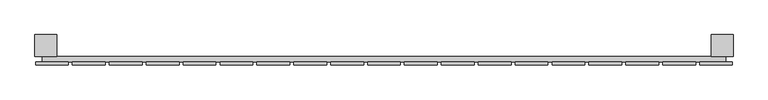
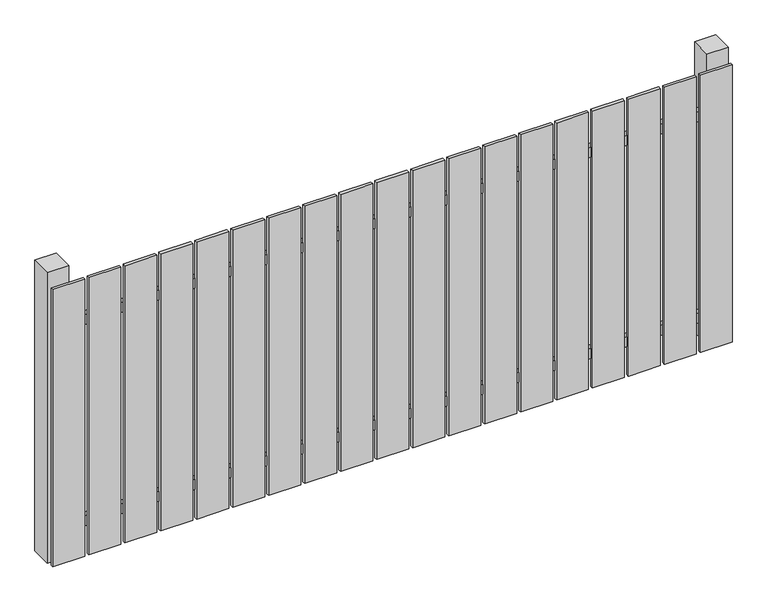
"""IFC4 building model written with IfcOpenShell, lengths in millimetres: railing geometry."""

from ifc_helpers import new_model, si_unit, frame, origin, origin_with_axes, place, context, project, spatial, polyline, outline, extrude, source, transform, mapped, element, save


def railing_8254b025(model_context):
    return source(origin(), model_context, "Body", "SweptSolid", [
        extrude(outline(polyline([(11087.4299228, -102939.0267127), (11087.4299228, -102919.0267127), (13587.4299228, -102919.0267127), (13587.4299228, -102939.0267127), (11087.4299228, -102939.0267127)])), frame((0.0, 0.0, 110.0), z_axis=(0.0, 0.0, 1.0), x_axis=(1.0, 0.0, 0.0)), (0.0, 0.0, 1.0), 40.0),
        extrude(outline(polyline([(11087.4299228, -102939.0267127), (11087.4299228, -102919.0267127), (13587.4299228, -102919.0267127), (13587.4299228, -102939.0267127), (11087.4299228, -102939.0267127)])), frame((0.0, 0.0, 910.0), z_axis=(0.0, 0.0, 1.0), x_axis=(1.0, 0.0, 0.0)), (0.0, 0.0, 1.0), 40.0),
        extrude(outline(polyline([(13492.4299228, -102950.5267127), (13492.4299228, -102939.5267127), (13612.4299228, -102939.5267127), (13612.4299228, -102950.5267127), (13492.4299228, -102950.5267127)])), origin_with_axes(), (0.0, 0.0, 1.0), 1100.0),
        extrude(outline(polyline([(13357.4299228, -102950.5267127), (13357.4299228, -102939.5267127), (13477.4299228, -102939.5267127), (13477.4299228, -102950.5267127), (13357.4299228, -102950.5267127)])), origin_with_axes(), (0.0, 0.0, 1.0), 1100.0),
        extrude(outline(polyline([(13222.4299228, -102950.5267127), (13222.4299228, -102939.5267127), (13342.4299228, -102939.5267127), (13342.4299228, -102950.5267127), (13222.4299228, -102950.5267127)])), origin_with_axes(), (0.0, 0.0, 1.0), 1100.0),
        extrude(outline(polyline([(13087.4299228, -102950.5267127), (13087.4299228, -102939.5267127), (13207.4299228, -102939.5267127), (13207.4299228, -102950.5267127), (13087.4299228, -102950.5267127)])), origin_with_axes(), (0.0, 0.0, 1.0), 1100.0),
        extrude(outline(polyline([(12952.4299228, -102950.5267127), (12952.4299228, -102939.5267127), (13072.4299228, -102939.5267127), (13072.4299228, -102950.5267127), (12952.4299228, -102950.5267127)])), origin_with_axes(), (0.0, 0.0, 1.0), 1100.0),
        extrude(outline(polyline([(12817.4299228, -102950.5267127), (12817.4299228, -102939.5267127), (12937.4299228, -102939.5267127), (12937.4299228, -102950.5267127), (12817.4299228, -102950.5267127)])), origin_with_axes(), (0.0, 0.0, 1.0), 1100.0),
        extrude(outline(polyline([(12682.4299228, -102950.5267127), (12682.4299228, -102939.5267127), (12802.4299228, -102939.5267127), (12802.4299228, -102950.5267127), (12682.4299228, -102950.5267127)])), origin_with_axes(), (0.0, 0.0, 1.0), 1100.0),
        extrude(outline(polyline([(12547.4299228, -102950.5267127), (12547.4299228, -102939.5267127), (12667.4299228, -102939.5267127), (12667.4299228, -102950.5267127), (12547.4299228, -102950.5267127)])), origin_with_axes(), (0.0, 0.0, 1.0), 1100.0),
        extrude(outline(polyline([(12412.4299228, -102950.5267127), (12412.4299228, -102939.5267127), (12532.4299228, -102939.5267127), (12532.4299228, -102950.5267127), (12412.4299228, -102950.5267127)])), origin_with_axes(), (0.0, 0.0, 1.0), 1100.0),
        extrude(outline(polyline([(12277.4299228, -102950.5267127), (12277.4299228, -102939.5267127), (12397.4299228, -102939.5267127), (12397.4299228, -102950.5267127), (12277.4299228, -102950.5267127)])), origin_with_axes(), (0.0, 0.0, 1.0), 1100.0),
        extrude(outline(polyline([(12142.4299228, -102950.5267127), (12142.4299228, -102939.5267127), (12262.4299228, -102939.5267127), (12262.4299228, -102950.5267127), (12142.4299228, -102950.5267127)])), origin_with_axes(), (0.0, 0.0, 1.0), 1100.0),
        extrude(outline(polyline([(12007.4299228, -102950.5267127), (12007.4299228, -102939.5267127), (12127.4299228, -102939.5267127), (12127.4299228, -102950.5267127), (12007.4299228, -102950.5267127)])), origin_with_axes(), (0.0, 0.0, 1.0), 1100.0),
        extrude(outline(polyline([(11872.4299228, -102950.5267127), (11872.4299228, -102939.5267127), (11992.4299228, -102939.5267127), (11992.4299228, -102950.5267127), (11872.4299228, -102950.5267127)])), origin_with_axes(), (0.0, 0.0, 1.0), 1100.0),
        extrude(outline(polyline([(11737.4299228, -102950.5267127), (11737.4299228, -102939.5267127), (11857.4299228, -102939.5267127), (11857.4299228, -102950.5267127), (11737.4299228, -102950.5267127)])), origin_with_axes(), (0.0, 0.0, 1.0), 1100.0),
        extrude(outline(polyline([(11602.4299228, -102950.5267127), (11602.4299228, -102939.5267127), (11722.4299228, -102939.5267127), (11722.4299228, -102950.5267127), (11602.4299228, -102950.5267127)])), origin_with_axes(), (0.0, 0.0, 1.0), 1100.0),
        extrude(outline(polyline([(11467.4299228, -102950.5267127), (11467.4299228, -102939.5267127), (11587.4299228, -102939.5267127), (11587.4299228, -102950.5267127), (11467.4299228, -102950.5267127)])), origin_with_axes(), (0.0, 0.0, 1.0), 1100.0),
        extrude(outline(polyline([(11332.4299228, -102950.5267127), (11332.4299228, -102939.5267127), (11452.4299228, -102939.5267127), (11452.4299228, -102950.5267127), (11332.4299228, -102950.5267127)])), origin_with_axes(), (0.0, 0.0, 1.0), 1100.0),
        extrude(outline(polyline([(11197.4299228, -102950.5267127), (11197.4299228, -102939.5267127), (11317.4299228, -102939.5267127), (11317.4299228, -102950.5267127), (11197.4299228, -102950.5267127)])), origin_with_axes(), (0.0, 0.0, 1.0), 1100.0),
        extrude(outline(polyline([(11062.4299228, -102950.5267127), (11062.4299228, -102939.5267127), (11182.4299228, -102939.5267127), (11182.4299228, -102950.5267127), (11062.4299228, -102950.5267127)])), origin_with_axes(), (0.0, 0.0, 1.0), 1100.0),
        extrude(outline(polyline([(13534.9299228, -102839.0267127), (13614.9299228, -102839.0267127), (13614.9299228, -102919.0267127), (13534.9299228, -102919.0267127), (13534.9299228, -102839.0267127)])), frame((0.0, 0.0, -4.0), z_axis=(0.0, 0.0, 1.0), x_axis=(1.0, 0.0, 0.0)), (0.0, 0.0, 1.0), 1154.0),
        extrude(outline(polyline([(11059.9299228, -102839.0267127), (11139.9299228, -102839.0267127), (11139.9299228, -102919.0267127), (11059.9299228, -102919.0267127), (11059.9299228, -102839.0267127)])), frame((0.0, 0.0, -4.0), z_axis=(0.0, 0.0, 1.0), x_axis=(1.0, 0.0, 0.0)), (0.0, 0.0, 1.0), 1154.0),
    ])


if __name__ == "__main__":
    model = new_model("IFC4")
    model_context = context("Model", 3, world=origin())
    ifc_project = project(units=[si_unit("LENGTHUNIT", "METRE", prefix="MILLI")], contexts=[model_context])
    site = spatial("IfcSite", under=ifc_project)
    building = spatial("IfcBuilding", under=site)
    placement = place(None, origin())
    railing_shape = railing_8254b025(model_context)
    element("IfcRailing", 1, at=placement, inside=building, context=model_context, shape_type="MappedRepresentation", body=[
        mapped(railing_shape, transform((0.0, 0.0, 0.0), x_axis=(1.0, 0.0, 0.0), y_axis=(0.0, 1.0, 0.0), z_axis=(0.0, 0.0, 1.0))),
    ])
    save(model, "model.ifc")
